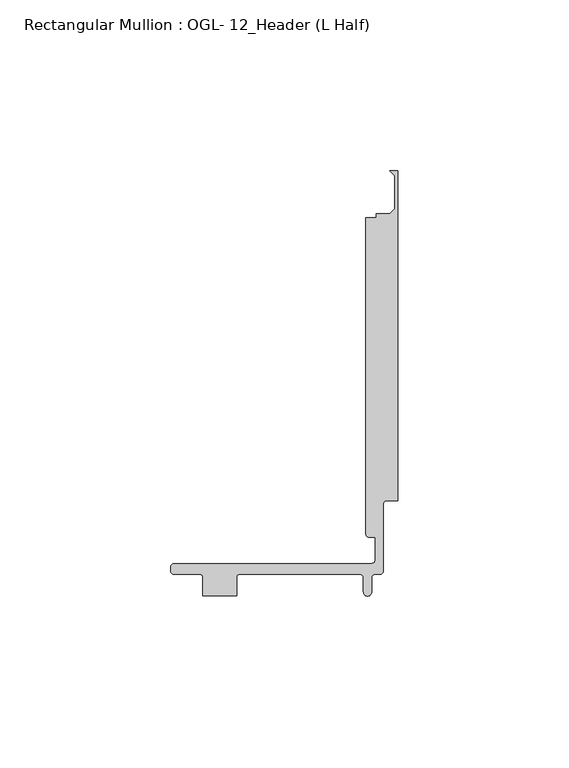
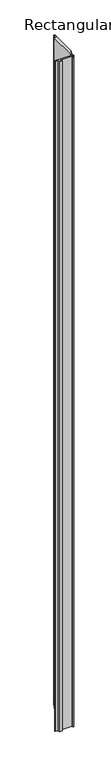
"""IFC4 building model written with IfcOpenShell, lengths in millimetres: member geometry, Rectangular Mullion : OGL- 12_Header (L Half)."""

from ifc_helpers import new_model, si_unit, point, frame, frame_2d, origin, place, context, project, spatial, polyline, circle_curve, trimmed, segment, composite_curve, outline, extrude, source, transform, mapped, element, save


def rectangular_mullion_ogl_12_header_l_half_ae68e345(model_context):
    return source(origin(), model_context, "Body", "SweptSolid", [
        extrude(outline(composite_curve([segment(polyline([(-65.672665, -101.3744186), (-7.7151426, -101.3744186)]), True, "CONTINUOUS"), segment(trimmed(circle_curve(frame_2d((-7.7151426, -100.3584186)), 1.016), [point((-7.7151426, -101.3744186))], [point((-6.6991426, -100.3584186))], True, "CARTESIAN"), True, "CONTINUOUS"), segment(polyline([(-6.6991426, -100.3584186), (-6.6991426, -93.627199), (-8.4584503, -93.627199)]), True, "CONTINUOUS"), segment(trimmed(circle_curve(frame_2d((-8.4584503, -92.6498263)), 0.9773726), [point((-8.4584503, -93.627199))], [point((-9.4358229, -92.6498263))], False, "CARTESIAN"), True, "CONTINUOUS"), segment(polyline([(-9.4358229, -92.6498263), (-9.4358229, 0.0), (-6.3501658, 0.0), (-6.3501658, 1.1441035), (-2.3814158, 1.1441035), (-1.0161658, 2.5964971), (-1.0161658, 12.3917098), (-2.3814158, 13.8441035), (-0.0001658, 13.8441035), (0.0, -82.9396449), (-3.269323, -82.9396449)]), True, "CONTINUOUS"), segment(trimmed(circle_curve(frame_2d((-3.269323, -83.9556449)), 1.016), [point((-3.269323, -82.9396449))], [point((-4.285323, -83.9556449))], True, "CARTESIAN"), True, "CONTINUOUS"), segment(polyline([(-4.285323, -83.9556449), (-4.285323, -103.5334186)]), True, "CONTINUOUS"), segment(trimmed(circle_curve(frame_2d((-5.301323, -103.5334186)), 1.016), [point((-4.285323, -103.5334186))], [point((-5.301323, -104.5494186))], False, "CARTESIAN"), True, "CONTINUOUS"), segment(polyline([(-5.301323, -104.5494186), (-6.6991426, -104.5494186)]), True, "CONTINUOUS"), segment(trimmed(circle_curve(frame_2d((-6.6991426, -105.5654186)), 1.016), [point((-6.6991426, -104.5494186))], [point((-7.7151426, -105.5654186))], True, "CARTESIAN"), True, "CONTINUOUS"), segment(polyline([(-7.7151426, -105.5654186), (-7.7151426, -109.6962686)]), True, "CONTINUOUS"), segment(trimmed(circle_curve(frame_2d((-8.9220524, -109.6962686)), 1.2069098), [point((-7.7151426, -109.6962686))], [point((-10.1289622, -109.6962686))], False, "CARTESIAN"), True, "CONTINUOUS"), segment(polyline([(-10.1289622, -109.6962686), (-10.1289622, -105.5654186)]), True, "CONTINUOUS"), segment(trimmed(circle_curve(frame_2d((-11.1449622, -105.5654186)), 1.016), [point((-10.1289622, -105.5654186))], [point((-11.1449622, -104.5494186))], True, "CARTESIAN"), True, "CONTINUOUS"), segment(polyline([(-11.1449622, -104.5494186), (-46.7039458, -104.5494186)]), True, "CONTINUOUS"), segment(trimmed(circle_curve(frame_2d((-46.7039458, -105.0574186)), 0.508), [point((-46.7039458, -104.5494186))], [point((-47.2119458, -105.0574186))], True, "CARTESIAN"), True, "CONTINUOUS"), segment(polyline([(-47.2119458, -105.0574186), (-47.2119458, -110.8877039), (-57.2745985, -110.8877039), (-57.2745985, -105.0903035)]), True, "CONTINUOUS"), segment(trimmed(circle_curve(frame_2d((-57.8154834, -105.0903035)), 0.5408849), [point((-57.2745985, -105.0903035))], [point((-57.8154834, -104.5494186))], True, "CARTESIAN"), True, "CONTINUOUS"), segment(polyline([(-57.8154834, -104.5494186), (-65.6648778, -104.5494186)]), True, "CONTINUOUS"), segment(trimmed(circle_curve(frame_2d((-65.6648778, -103.5392963)), 1.0101222), [point((-65.6648778, -104.5494186))], [point((-66.675, -103.5392963))], False, "CARTESIAN"), True, "CONTINUOUS"), segment(polyline([(-66.675, -103.5392963), (-66.675, -102.3767536)]), True, "CONTINUOUS"), segment(trimmed(circle_curve(frame_2d((-65.672665, -102.3767536)), 1.002335), [point((-66.675, -102.3767536))], [point((-65.672665, -101.3744186))], False, "CARTESIAN"), True, "CONTINUOUS")], self_intersect=False)), frame((0.0, 0.0, -2392.3660402), z_axis=(0.0, 0.0, 1.0), x_axis=(1.0, 0.0, 0.0)), (0.0, 0.0, 1.0), 2392.3660402),
    ])


if __name__ == "__main__":
    model = new_model("IFC4")
    model_context = context("Model", 3, world=origin())
    ifc_project = project(units=[si_unit("LENGTHUNIT", "METRE", prefix="MILLI")], contexts=[model_context])
    site = spatial("IfcSite", under=ifc_project)
    building = spatial("IfcBuilding", under=site)
    placement = place(None, origin())
    rectangular_mullion_ogl_12_header_l_half_shape = rectangular_mullion_ogl_12_header_l_half_ae68e345(model_context)
    element("IfcMember", 1, ObjectType="Rectangular Mullion : OGL- 12_Header (L Half)", at=placement, inside=building, context=model_context, shape_type="MappedRepresentation", body=[
        mapped(rectangular_mullion_ogl_12_header_l_half_shape, transform((0.0, 0.0, 0.0), x_axis=(1.0, 0.0, 0.0), y_axis=(0.0, 1.0, 0.0), z_axis=(0.0, 0.0, 1.0))),
    ])
    save(model, "model.ifc")
